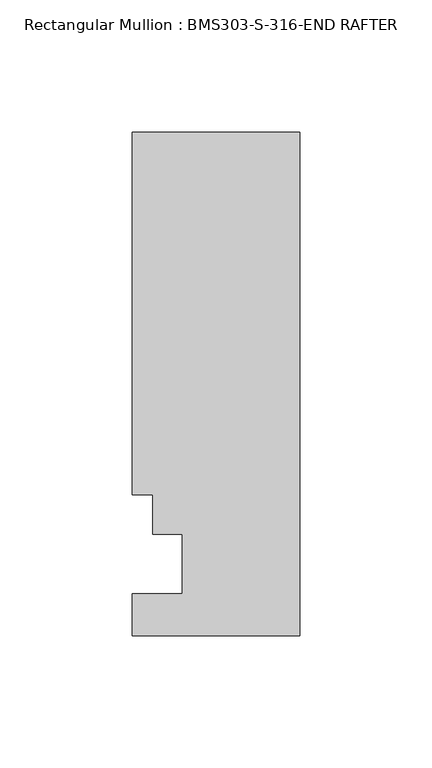
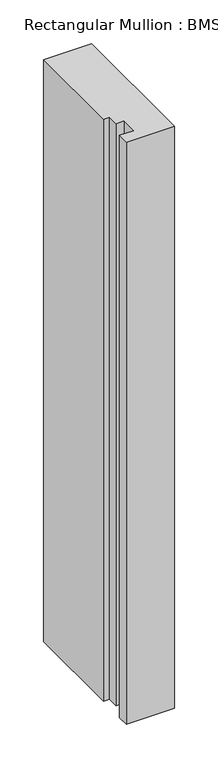
"""IFC4 building model written with IfcOpenShell, lengths in millimetres: member geometry, Rectangular Mullion : BMS303-S-316-END RAFTER."""

from ifc_helpers import new_model, si_unit, frame, origin, place, context, project, spatial, polyline, outline, extrude, source, transform, mapped, element, save


def rectangular_mullion_bms303_s_316_end_rafter_391960c7(model_context):
    return source(origin(), model_context, "Body", "SweptSolid", [
        extrude(outline(polyline([(-63.5, 214.6101562), (0.0, 214.6101562), (0.0, 23.8561562), (-63.5, 23.8561562), (-63.5, 39.7311562), (-44.45, 39.7311562), (-44.45, 62.2101563), (-55.5752, 62.2101563), (-55.5752, 77.2723562), (-63.5, 77.2723562), (-63.5, 214.6101562)])), frame((0.0, 0.0, -814.8070102), z_axis=(0.0, 0.0, 1.0), x_axis=(1.0, 0.0, 0.0)), (0.0, 0.0, 1.0), 814.8070102),
    ])


if __name__ == "__main__":
    model = new_model("IFC4")
    model_context = context("Model", 3, world=origin())
    ifc_project = project(units=[si_unit("LENGTHUNIT", "METRE", prefix="MILLI")], contexts=[model_context])
    site = spatial("IfcSite", under=ifc_project)
    building = spatial("IfcBuilding", under=site)
    placement = place(None, origin())
    rectangular_mullion_bms303_s_316_end_rafter_shape = rectangular_mullion_bms303_s_316_end_rafter_391960c7(model_context)
    element("IfcMember", 1, ObjectType="Rectangular Mullion : BMS303-S-316-END RAFTER", at=placement, inside=building, context=model_context, shape_type="MappedRepresentation", body=[
        mapped(rectangular_mullion_bms303_s_316_end_rafter_shape, transform((0.0, 0.0, 0.0), x_axis=(1.0, 0.0, 0.0), y_axis=(0.0, 1.0, 0.0), z_axis=(0.0, 0.0, 1.0))),
    ])
    save(model, "model.ifc")
